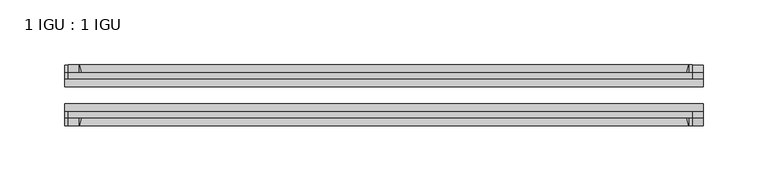
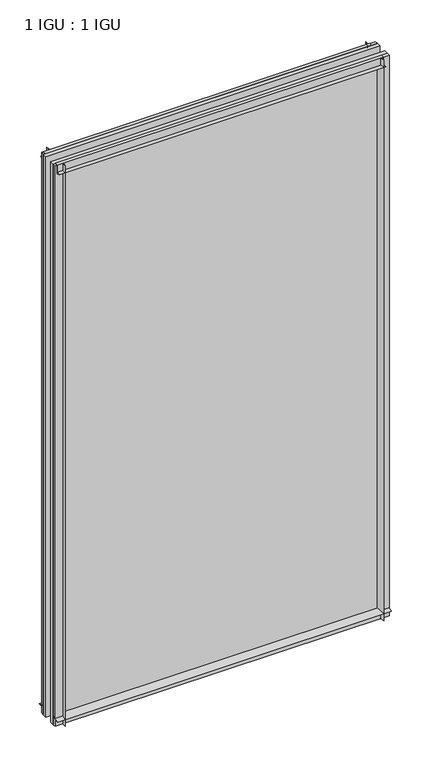
"""IFC4 building model written with IfcOpenShell, lengths in millimetres: plate geometry, 1 IGU : 1 IGU."""

from ifc_helpers import new_model, si_unit, point, frame, frame_2d, origin, place, context, project, spatial, polyline, circle_curve, trimmed, segment, composite_curve, outline, extrude, source, transform, mapped, element, save


def plate_1_igu_1_igu_a5fbe462(model_context):
    return source(origin(), model_context, "Body", "SweptSolid", [
        extrude(outline(composite_curve([segment(trimmed(circle_curve(frame_2d((-28.0741797, 32.2797688)), 32.7673262), [point((-44.45, 3.8979053))], [point((-33.7058, 1.48e-05))], True, "CARTESIAN"), True, "CONTINUOUS"), segment(polyline([(-33.7058, 1.48e-05), (-39.6748, 1.48e-05), (-39.6748, -10.31875), (-44.45, -10.31875), (-44.45, 3.8979053)]), True, "CONTINUOUS")], self_intersect=False)), frame((-246.0625, 0.0, 0.0), z_axis=(1.0, 0.0, 0.0), x_axis=(0.0, 1.0, 0.0)), (0.0, 0.0, 1.0), 492.125),
        extrude(outline(composite_curve([segment(trimmed(circle_curve(frame_2d((-86.2258203, 32.2797602)), 32.7673262), [point((-80.5942354, 0.0))], [point((-69.85, 3.8978967))], True, "CARTESIAN"), True, "CONTINUOUS"), segment(polyline([(-69.85, 3.8978967), (-69.85, -10.31875), (-74.6252, -10.31875), (-74.6252, 0.0), (-80.5942354, 0.0)]), True, "CONTINUOUS")], self_intersect=False)), frame((-246.0625, 0.0, 0.0), z_axis=(1.0, 0.0, 0.0), x_axis=(0.0, 1.0, 0.0)), (0.0, 0.0, 1.0), 492.125),
        extrude(outline(composite_curve([segment(polyline([(-80.5942, 850.9), (-74.6252, 850.9), (-74.6252, 862.0125), (-69.85, 862.0125), (-69.85, 847.0021095)]), True, "CONTINUOUS"), segment(trimmed(circle_curve(frame_2d((-86.2258203, 818.620246)), 32.7673262), [point((-69.85, 847.0021095))], [point((-80.5942, 850.9))], True, "CARTESIAN"), True, "CONTINUOUS")], self_intersect=False)), frame((-243.4627386, 0.0, 0.0), z_axis=(1.0, 0.0, 0.0), x_axis=(0.0, 1.0, 0.0)), (0.0, 0.0, 1.0), 480.9587001),
        extrude(outline(composite_curve([segment(polyline([(-39.6748, 862.0125), (-39.6748, 850.9), (-33.7058, 850.9)]), True, "CONTINUOUS"), segment(trimmed(circle_curve(frame_2d((-28.0741797, 818.620246)), 32.7673262), [point((-33.7058, 850.9))], [point((-44.45, 847.0021095))], True, "CARTESIAN"), True, "CONTINUOUS"), segment(polyline([(-44.45, 847.0021095), (-44.45, 862.0125), (-39.6748, 862.0125)]), True, "CONTINUOUS")], self_intersect=False)), frame((-243.4627386, 0.0, 0.0), z_axis=(1.0, 0.0, 0.0), x_axis=(0.0, 1.0, 0.0)), (0.0, 0.0, 1.0), 480.9587001),
        extrude(outline(composite_curve([segment(polyline([(246.0625, -39.6748), (246.0625, -44.45), (231.0521095, -44.45)]), True, "CONTINUOUS"), segment(trimmed(circle_curve(frame_2d((202.670246, -28.0741797)), 32.7673262), [point((231.0521095, -44.45))], [point((234.95, -33.7058))], True, "CARTESIAN"), True, "CONTINUOUS"), segment(polyline([(234.95, -33.7058), (234.95, -39.6748), (246.0625, -39.6748)]), True, "CONTINUOUS")], self_intersect=False)), frame((0.0, 0.0, -10.31875), z_axis=(0.0, 0.0, 1.0), x_axis=(1.0, 0.0, 0.0)), (0.0, 0.0, 1.0), 872.33125),
        extrude(outline(composite_curve([segment(polyline([(246.0625, -69.85), (246.0625, -74.6252), (234.95, -74.6252), (234.95, -80.5942)]), True, "CONTINUOUS"), segment(trimmed(circle_curve(frame_2d((202.670246, -86.2258203)), 32.7673262), [point((234.95, -80.5942))], [point((231.0521095, -69.85))], True, "CARTESIAN"), True, "CONTINUOUS"), segment(polyline([(231.0521095, -69.85), (246.0625, -69.85)]), True, "CONTINUOUS")], self_intersect=False)), frame((0.0, 0.0, -10.31875), z_axis=(0.0, 0.0, 1.0), x_axis=(1.0, 0.0, 0.0)), (0.0, 0.0, 1.0), 872.33125),
        extrude(outline(composite_curve([segment(polyline([(-246.0625, -39.6748), (-234.95, -39.6748), (-234.95, -33.7058)]), True, "CONTINUOUS"), segment(trimmed(circle_curve(frame_2d((-202.670246, -28.0741797)), 32.7673262), [point((-234.95, -33.7058))], [point((-231.0521095, -44.45))], True, "CARTESIAN"), True, "CONTINUOUS"), segment(polyline([(-231.0521095, -44.45), (-246.0625, -44.45), (-246.0625, -39.6748)]), True, "CONTINUOUS")], self_intersect=False)), frame((0.0, 0.0, -10.31875), z_axis=(0.0, 0.0, 1.0), x_axis=(1.0, 0.0, 0.0)), (0.0, 0.0, 1.0), 872.33125),
        extrude(outline(composite_curve([segment(polyline([(-246.0625, -74.6252), (-246.0625, -69.85), (-231.0521095, -69.85)]), True, "CONTINUOUS"), segment(trimmed(circle_curve(frame_2d((-202.670246, -86.2258203)), 32.7673262), [point((-231.0521095, -69.85))], [point((-234.95, -80.5942))], True, "CARTESIAN"), True, "CONTINUOUS"), segment(polyline([(-234.95, -80.5942), (-234.95, -74.6252), (-246.0625, -74.6252)]), True, "CONTINUOUS")], self_intersect=False)), frame((0.0, 0.0, -10.31875), z_axis=(0.0, 0.0, 1.0), x_axis=(1.0, 0.0, 0.0)), (0.0, 0.0, 1.0), 872.33125),
        extrude(outline(polyline([(-246.0625, -69.85), (-246.0625, -63.5508), (246.0625, -63.5508), (246.0625, -69.85), (-246.0625, -69.85)])), frame((0.0, 0.0, -10.31875), z_axis=(0.0, 0.0, 1.0), x_axis=(1.0, 0.0, 0.0)), (0.0, 0.0, 1.0), 872.33125),
        extrude(outline(polyline([(246.0625, -50.7492), (-246.0625, -50.7492), (-246.0625, -44.45), (246.0625, -44.45), (246.0625, -50.7492)])), frame((0.0, 0.0, -10.31875), z_axis=(0.0, 0.0, 1.0), x_axis=(1.0, 0.0, 0.0)), (0.0, 0.0, 1.0), 872.33125),
    ])


if __name__ == "__main__":
    model = new_model("IFC4")
    model_context = context("Model", 3, world=origin())
    ifc_project = project(units=[si_unit("LENGTHUNIT", "METRE", prefix="MILLI")], contexts=[model_context])
    site = spatial("IfcSite", under=ifc_project)
    building = spatial("IfcBuilding", under=site)
    placement = place(None, origin())
    plate_1_igu_1_igu_shape = plate_1_igu_1_igu_a5fbe462(model_context)
    element("IfcPlate", 1, ObjectType="1 IGU : 1 IGU", at=placement, inside=building, context=model_context, shape_type="MappedRepresentation", body=[
        mapped(plate_1_igu_1_igu_shape, transform((0.0, 0.0, 0.0), x_axis=(1.0, 0.0, 0.0), y_axis=(0.0, 1.0, 0.0), z_axis=(0.0, 0.0, 1.0))),
    ])
    save(model, "model.ifc")
